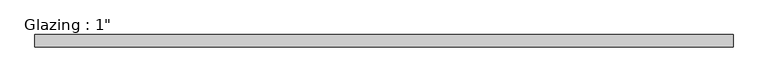
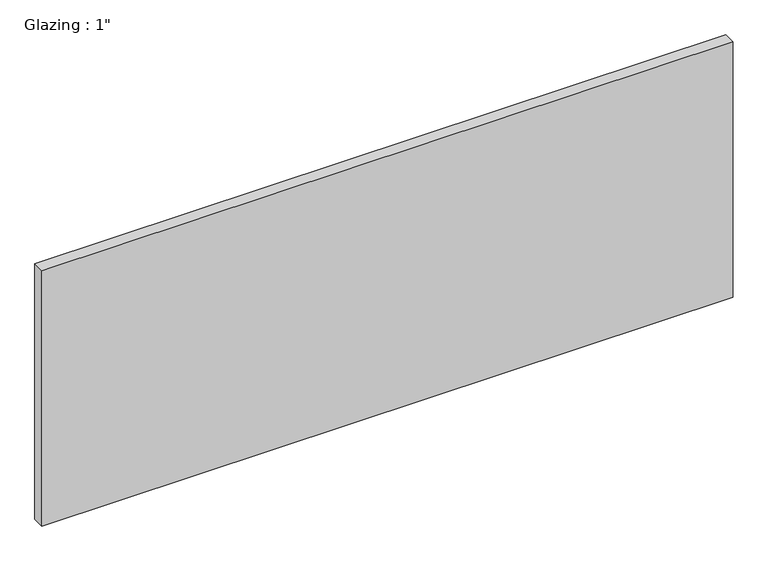
"""IFC4 building model written with IfcOpenShell, lengths in millimetres: plate geometry."""

import ifcopenshell
import ifcopenshell.guid

model = None  # the IFC model being written
_history = None  # IfcOwnerHistory: only IFC2X3 demands one
_inside = {}  # id of a spatial element -> (the spatial element, [elements in it])
_under = {}  # id of a project, library or spatial element -> (it, [spatial elements below it])
_declared = {}  # id of a project -> (the project, [libraries it declares])
_typed = {}  # id of a type object -> (the type object, [elements of that type])
_made_of = {}  # id of a material, layer set ... -> (it, [elements and type objects made of it])


def new_model(schema):
    """Start an empty IFC model of exactly this schema.

    Asked for "IFC4X3", IfcOpenShell would pick the latest addendum, in which some entities
    have other attributes; the version numbers below select the first issue.
    IFC2X3 requires an IfcOwnerHistory on every rooted entity: one is made here for all.
    """
    global model, _history
    if schema == "IFC4X3":
        model = ifcopenshell.file(schema_version=(4, 3, 0, 0))
    else:
        model = ifcopenshell.file(schema=schema)
    _inside.clear()
    _under.clear()
    _declared.clear()
    _typed.clear()
    _made_of.clear()
    _history = None
    if model.schema == "IFC2X3":
        org = make("IfcOrganization", Name="unknown")
        user = make(
            "IfcPersonAndOrganization",
            ThePerson=make("IfcPerson", FamilyName="unknown"),
            TheOrganization=org,
        )
        app = make(
            "IfcApplication",
            ApplicationDeveloper=org,
            Version="unknown",
            ApplicationFullName="unknown",
            ApplicationIdentifier="unknown",
        )
        _history = make(
            "IfcOwnerHistory",
            OwningUser=user,
            OwningApplication=app,
            ChangeAction="ADDED",
            CreationDate=0,
        )
    return model


def make(cls, **values):
    """One entity of the class cls with the attributes given. An attribute that is None is left unset."""
    return model.create_entity(
        cls, **{name: value for name, value in values.items() if value is not None}
    )


def rooted(cls, **values):
    """An entity with a GlobalId (a new one), such as an element, a storey or a relation."""
    return make(cls, GlobalId=ifcopenshell.guid.new(), OwnerHistory=_history, **values)


def si_unit(unit_type, name, prefix=None):
    """IfcSIUnit, for example si_unit("LENGTHUNIT", "METRE", prefix="MILLI")."""
    return make("IfcSIUnit", UnitType=unit_type, Prefix=prefix, Name=name)


def assignment(units):
    """IfcUnitAssignment: the units of a project."""
    return None if units is None else make("IfcUnitAssignment", Units=units)


def point(xyz):
    """IfcCartesianPoint."""
    return None if xyz is None else make("IfcCartesianPoint", Coordinates=xyz)


def direction(xyz):
    """IfcDirection."""
    return None if xyz is None else make("IfcDirection", DirectionRatios=xyz)


def frame(location, z_axis=None, x_axis=None):
    """IfcAxis2Placement3D, a coordinate frame: its origin and axes. An axis left out is left unset."""
    return make(
        "IfcAxis2Placement3D",
        Location=point(location),
        Axis=direction(z_axis),
        RefDirection=direction(x_axis),
    )


def origin():
    """The frame at (0, 0, 0) with its axes left unset."""
    return frame((0.0, 0.0, 0.0))


def origin_with_axes():
    """The frame at (0, 0, 0) with the z axis (0, 0, 1) and the x axis (1, 0, 0) written out."""
    return frame((0.0, 0.0, 0.0), z_axis=(0.0, 0.0, 1.0), x_axis=(1.0, 0.0, 0.0))


def place(relative_to, where):
    """IfcLocalPlacement: puts the frame where relative to a parent placement (None: the world)."""
    return make(
        "IfcLocalPlacement", PlacementRelTo=relative_to, RelativePlacement=where
    )


def context(
    kind, dimensions, precision=None, world=None, true_north=None, identifier=None
):
    """IfcGeometricRepresentationContext, for example the 3D "Model" context."""
    return make(
        "IfcGeometricRepresentationContext",
        ContextIdentifier=identifier,
        ContextType=kind,
        CoordinateSpaceDimension=dimensions,
        Precision=precision,
        WorldCoordinateSystem=world,
        TrueNorth=true_north,
    )


def project(units=None, contexts=None):
    """IfcProject with its units and contexts."""
    return rooted(
        "IfcProject",
        Name="project",
        RepresentationContexts=contexts,
        UnitsInContext=assignment(units),
    )


def spatial(cls, under=None, at=None, **own):
    """A site, building, storey or space (cls), placed at a placement, below another one or the project."""
    s = rooted(cls, ObjectPlacement=at, **own)
    if under is not None:
        _under.setdefault(under.id(), (under, []))[1].append(s)
    return s


def polyline(points):
    """IfcPolyline through the points."""
    return make("IfcPolyline", Points=[point(p) for p in points])


def outline(outer, holes=None, kind="AREA"):
    """IfcArbitraryClosedProfileDef: a profile drawn as a closed curve; with holes, ...WithVoids."""
    if holes is None:
        return make("IfcArbitraryClosedProfileDef", ProfileType=kind, OuterCurve=outer)
    return make(
        "IfcArbitraryProfileDefWithVoids",
        ProfileType=kind,
        OuterCurve=outer,
        InnerCurves=holes,
    )


def extrude(swept, where, along, depth):
    """IfcExtrudedAreaSolid: the profile swept, set in the frame where, extruded along a direction by depth."""
    return make(
        "IfcExtrudedAreaSolid",
        SweptArea=swept,
        Position=where,
        ExtrudedDirection=direction(along),
        Depth=depth,
    )


def shape(context_of_items, identifier, shape_type, items):
    """IfcShapeRepresentation: the items that make up one representation, for example the "Body"."""
    return make(
        "IfcShapeRepresentation",
        ContextOfItems=context_of_items,
        RepresentationIdentifier=identifier,
        RepresentationType=shape_type,
        Items=items,
    )


def source(mapping_origin, context_of_items, identifier, shape_type, items):
    """IfcRepresentationMap: a shape defined once, which mapped items show again and again."""
    return make(
        "IfcRepresentationMap",
        MappingOrigin=mapping_origin,
        MappedRepresentation=shape(context_of_items, identifier, shape_type, items),
    )


def transform(
    local_origin,
    x_axis=None,
    y_axis=None,
    z_axis=None,
    scale=None,
    scale2=None,
    scale3=None,
    uniform=True,
):
    """IfcCartesianTransformationOperator3D, or its non-uniform kind. x_axis, y_axis, z_axis: its Axis1, 2, 3."""
    if uniform:
        return make(
            "IfcCartesianTransformationOperator3D",
            Axis1=direction(x_axis),
            Axis2=direction(y_axis),
            LocalOrigin=point(local_origin),
            Scale=scale,
            Axis3=direction(z_axis),
        )
    return make(
        "IfcCartesianTransformationOperator3DnonUniform",
        Axis1=direction(x_axis),
        Axis2=direction(y_axis),
        LocalOrigin=point(local_origin),
        Scale=scale,
        Axis3=direction(z_axis),
        Scale2=scale2,
        Scale3=scale3,
    )


def mapped(mapping_source, mapping_target):
    """IfcMappedItem: shows the shape of a source again, moved by a transform."""
    return make(
        "IfcMappedItem", MappingSource=mapping_source, MappingTarget=mapping_target
    )


def made_of(thing, what):
    """Note that an element or type object is made of a material, layer set ...; save() writes the relation."""
    if what is not None:
        _made_of.setdefault(what.id(), (what, []))[1].append(thing)
    return thing


def element(
    cls,
    number,
    at=None,
    inside=None,
    cuts=None,
    type_object=None,
    material=None,
    context=None,
    identifier="Body",
    shape_type=None,
    held_by="IfcProductDefinitionShape",
    body=None,
    shapes=None,
    **own,
):
    """One element of the class cls, such as IfcWall. Its Tag is "e" and its number.

    at: its placement. inside: the storey or other place that contains it. cuts: it is an
    opening in that element (IfcRelVoidsElement). A single representation is given by context,
    identifier, shape_type and body (its items); several are given by shapes. held_by: the class
    of the entity that holds the representations. save() writes the other relations.
    """
    e = rooted(cls, Tag="e%d" % number, ObjectPlacement=at, **own)
    if body is not None:
        shapes = [shape(context, identifier, shape_type, body)]
    if shapes is not None:
        e.Representation = make(held_by, Representations=shapes)
    if inside is not None:
        _inside.setdefault(inside.id(), (inside, []))[1].append(e)
    if cuts is not None:
        rooted(
            "IfcRelVoidsElement", RelatingBuildingElement=cuts, RelatedOpeningElement=e
        )
    if type_object is not None:
        _typed.setdefault(type_object.id(), (type_object, []))[1].append(e)
    return made_of(e, material)


def aggregate(whole, parts):
    """IfcRelAggregates: a whole, such as a stair, and the parts it consists of."""
    return rooted("IfcRelAggregates", RelatingObject=whole, RelatedObjects=parts)


def save(model, path):
    """Write the relations noted so far, then the file.

    IfcRelAggregates (storeys below a building ...), IfcRelContainedInSpatialStructure (elements
    in a storey), IfcRelDefinesByType, IfcRelAssociatesMaterial and IfcRelDeclares: one each for
    every whole, place, type object, material and project.
    """
    for whole, parts in _under.values():
        aggregate(whole, parts)
    for where, things in _inside.values():
        rooted(
            "IfcRelContainedInSpatialStructure",
            RelatedElements=things,
            RelatingStructure=where,
        )
    for kind, things in _typed.values():
        rooted("IfcRelDefinesByType", RelatedObjects=things, RelatingType=kind)
    for what, things in _made_of.values():
        rooted("IfcRelAssociatesMaterial", RelatedObjects=things, RelatingMaterial=what)
    for by, libraries in _declared.values():
        rooted("IfcRelDeclares", RelatingContext=by, RelatedDefinitions=libraries)
    model.write(path)


def plate_da61dee8(model_context):
    return source(origin(), model_context, "Body", "SweptSolid", [
        extrude(outline(polyline([(717.0516736, -12.7), (-717.0516736, -12.7), (-717.0516736, 12.7), (717.0516736, 12.7), (717.0516736, -12.7)])), origin_with_axes(), (0.0, 0.0, 1.0), 560.0039722),
    ])


if __name__ == "__main__":
    model = new_model("IFC4")
    model_context = context("Model", 3, world=origin())
    ifc_project = project(units=[si_unit("LENGTHUNIT", "METRE", prefix="MILLI")], contexts=[model_context])
    site = spatial("IfcSite", under=ifc_project)
    building = spatial("IfcBuilding", under=site)
    placement = place(None, origin())
    plate_shape = plate_da61dee8(model_context)
    element("IfcPlate", 1, ObjectType="Glazing : 1\"", at=placement, inside=building, context=model_context, shape_type="MappedRepresentation", body=[
        mapped(plate_shape, transform((0.0, 0.0, 0.0), x_axis=(1.0, 0.0, 0.0), y_axis=(0.0, 1.0, 0.0), z_axis=(0.0, 0.0, 1.0))),
    ])
    save(model, "model.ifc")
